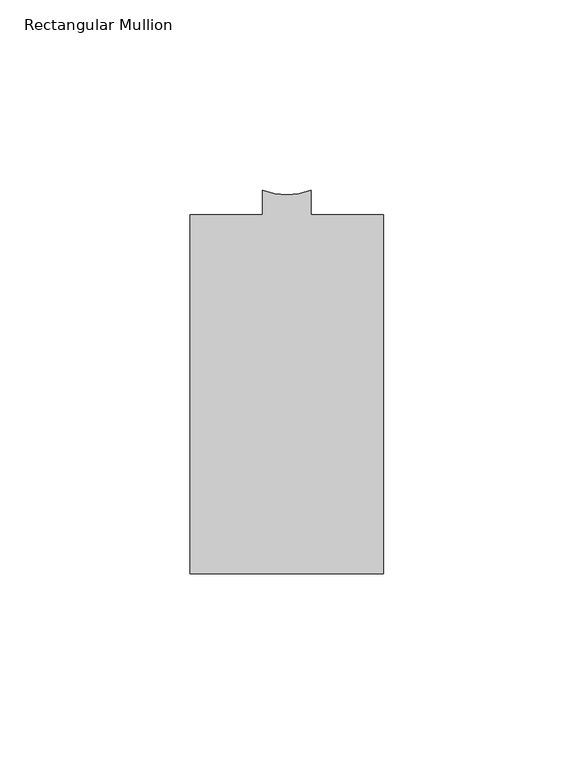
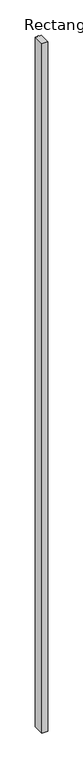
"""IFC4 building model written with IfcOpenShell, lengths in millimetres: member geometry, Rectangular Mullion."""

from ifc_helpers import new_model, si_unit, point, frame, frame_2d, origin, place, context, project, spatial, polyline, circle_curve, trimmed, segment, composite_curve, outline, extrude, source, transform, mapped, element, save


def rectangular_mullion_c018686a(model_context):
    return source(origin(), model_context, "Body", "SweptSolid", [
        extrude(outline(composite_curve([segment(polyline([(25.4, -56.7783992), (-25.4, -56.7783992), (-25.4, 37.5530336), (-6.35381, 37.5530336), (-6.35381, 43.9009623)]), True, "CONTINUOUS"), segment(trimmed(circle_curve(frame_2d((-0.001905, 60.8852617)), 18.133205), [point((-6.35381, 43.9009623))], [point((6.35, 43.9009623))], True, "CARTESIAN"), True, "CONTINUOUS"), segment(polyline([(6.35, 43.9009623), (6.35, 37.5299617), (25.4, 37.5299617), (25.4, -56.7783992)]), True, "CONTINUOUS")], self_intersect=False)), frame((0.0, 0.0, -6096.0), z_axis=(0.0, 0.0, 1.0), x_axis=(1.0, 0.0, 0.0)), (0.0, 0.0, 1.0), 6096.0),
    ])


if __name__ == "__main__":
    model = new_model("IFC4")
    model_context = context("Model", 3, world=origin())
    ifc_project = project(units=[si_unit("LENGTHUNIT", "METRE", prefix="MILLI")], contexts=[model_context])
    site = spatial("IfcSite", under=ifc_project)
    building = spatial("IfcBuilding", under=site)
    placement = place(None, origin())
    rectangular_mullion_shape = rectangular_mullion_c018686a(model_context)
    element("IfcMember", 1, ObjectType="Rectangular Mullion", at=placement, inside=building, context=model_context, shape_type="MappedRepresentation", body=[
        mapped(rectangular_mullion_shape, transform((0.0, 0.0, 0.0), x_axis=(1.0, 0.0, 0.0), y_axis=(0.0, 1.0, 0.0), z_axis=(0.0, 0.0, 1.0))),
    ])
    save(model, "model.ifc")
